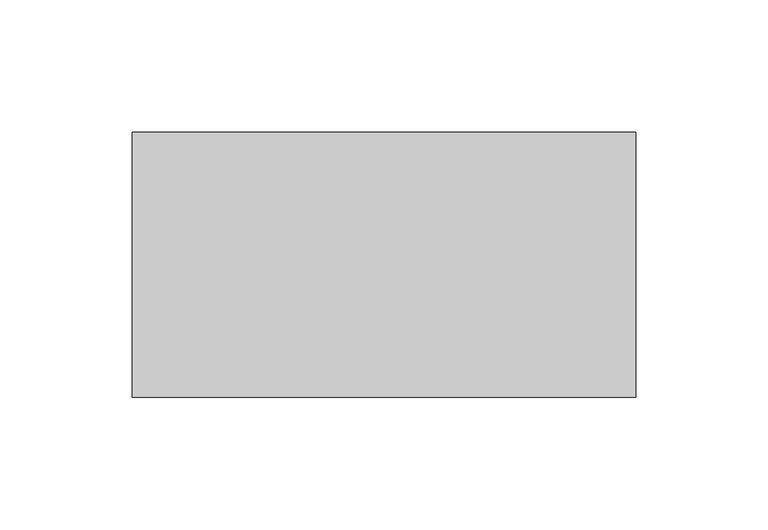
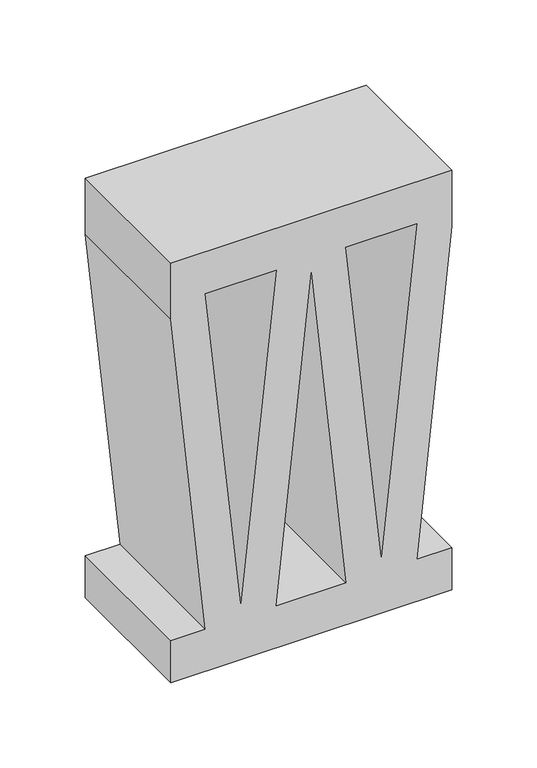
"""IFC4 building model written with IfcOpenShell, lengths in millimetres: plate geometry."""

from ifc_helpers import new_model, si_unit, frame, origin, place, context, project, spatial, polyline, outline, extrude, source, transform, mapped, element, save


def plate_518385bf(model_context):
    return source(origin(), model_context, "Body", "SweptSolid", [
        extrude(outline(polyline([(300.0, 95.0072621), (300.0, -94.9927379), (260.0, -94.9927379), (30.0, -71.4927379), (30.0, -94.9927379), (0.0, -94.9927379), (0.0, 95.0072621), (30.0, 95.0072621), (30.0, 71.5072621), (260.0, 95.0072621), (300.0, 95.0072621)]), holes=[polyline([(270.0, -23.4927379), (40.0, -47.4927379), (270.0, -71.4927379), (270.0, -23.4927379)]), polyline([(270.0, 23.5072621), (270.0, 71.5072621), (40.0, 47.5072621), (270.0, 23.5072621)]), polyline([(260.0, 0.0072621), (30.0, 23.5072621), (30.0, -23.4927379), (260.0, 0.0072621)])]), frame((0.0, -100.0, 0.0), z_axis=(0.0, 1.0, 0.0), x_axis=(0.0, 0.0, 1.0)), (0.0, 0.0, 1.0), 100.0),
    ])


if __name__ == "__main__":
    model = new_model("IFC4")
    model_context = context("Model", 3, world=origin())
    ifc_project = project(units=[si_unit("LENGTHUNIT", "METRE", prefix="MILLI")], contexts=[model_context])
    site = spatial("IfcSite", under=ifc_project)
    building = spatial("IfcBuilding", under=site)
    placement = place(None, origin())
    plate_shape = plate_518385bf(model_context)
    element("IfcPlate", 1, at=placement, inside=building, context=model_context, shape_type="MappedRepresentation", body=[
        mapped(plate_shape, transform((0.0, 0.0, 0.0), x_axis=(1.0, 0.0, 0.0), y_axis=(0.0, 1.0, 0.0), z_axis=(0.0, 0.0, 1.0))),
    ])
    save(model, "model.ifc")
